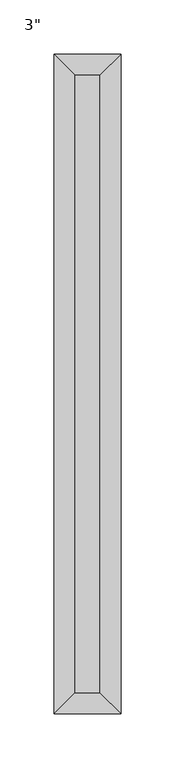
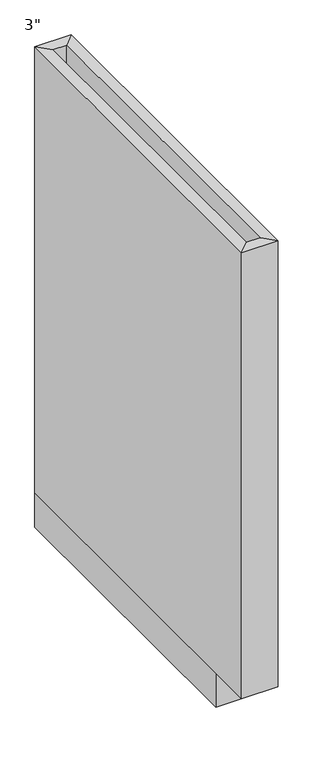
"""IFC4 building model written with IfcOpenShell, lengths in millimetres: furniture geometry."""

from ifc_helpers import new_model, si_unit, frame, origin, origin_with_axes, place, context, project, spatial, polyline, outline, extrude, faceted_brep, source, transform, mapped, element, save


def furniture_cf14a3d7(model_context):
    return source(origin(), model_context, "Body", "SolidModel", [
        extrude(outline(polyline([(30.6439549, -19.05), (30.6439549, -590.55), (6.8314549, -590.55), (6.8314549, -19.05), (30.6439549, -19.05)])), frame((0.0, 0.0, 61.9125), z_axis=(0.0, 0.0, 1.0), x_axis=(1.0, 0.0, 0.0)), (0.0, 0.0, 1.0), 19.05),
        faceted_brep([(30.6439549, -590.55, 863.6), (30.6439549, -590.55, 61.9125), (6.8314549, -590.55, 61.9125), (6.8314549, -590.55, 863.6), (49.6939549, -609.6, 863.6), (-12.2185451, -609.6, 863.6), (49.6939549, -609.6, 61.9125), (-12.2185451, -609.6, 61.9125), (6.8314549, -19.05, 61.9125), (6.8314549, -19.05, 863.6), (-12.2185451, 0.0, 863.6), (-12.2185451, 0.0, 61.9125), (30.6439549, -19.05, 61.9125), (30.6439549, -19.05, 863.6), (49.6939549, 0.0, 863.6), (49.6939549, 0.0, 61.9125)], [[[0, 1, 2, 3]], [[4, 0, 3, 5]], [[6, 4, 5, 7]], [[1, 6, 7, 2]], [[3, 2, 8, 9]], [[5, 3, 9, 10]], [[7, 5, 10, 11]], [[2, 7, 11, 8]], [[9, 8, 12, 13]], [[10, 9, 13, 14]], [[11, 10, 14, 15]], [[8, 11, 15, 12]], [[13, 12, 1, 0]], [[14, 13, 0, 4]], [[15, 14, 4, 6]], [[12, 15, 6, 1]]]),
        extrude(outline(polyline([(49.6939549, 0.0), (49.6939549, -533.4), (-12.2185451, -533.4), (-12.2185451, 0.0), (49.6939549, 0.0)])), origin_with_axes(), (0.0, 0.0, 1.0), 61.9125),
    ])


if __name__ == "__main__":
    model = new_model("IFC4")
    model_context = context("Model", 3, world=origin())
    ifc_project = project(units=[si_unit("LENGTHUNIT", "METRE", prefix="MILLI")], contexts=[model_context])
    site = spatial("IfcSite", under=ifc_project)
    building = spatial("IfcBuilding", under=site)
    placement = place(None, origin())
    furniture_shape = furniture_cf14a3d7(model_context)
    element("IfcFurniture", 1, ObjectType="3\"", at=placement, inside=building, context=model_context, shape_type="MappedRepresentation", body=[
        mapped(furniture_shape, transform((0.0, 0.0, 0.0), x_axis=(1.0, 0.0, 0.0), y_axis=(0.0, 1.0, 0.0), z_axis=(0.0, 0.0, 1.0))),
    ])
    save(model, "model.ifc")
